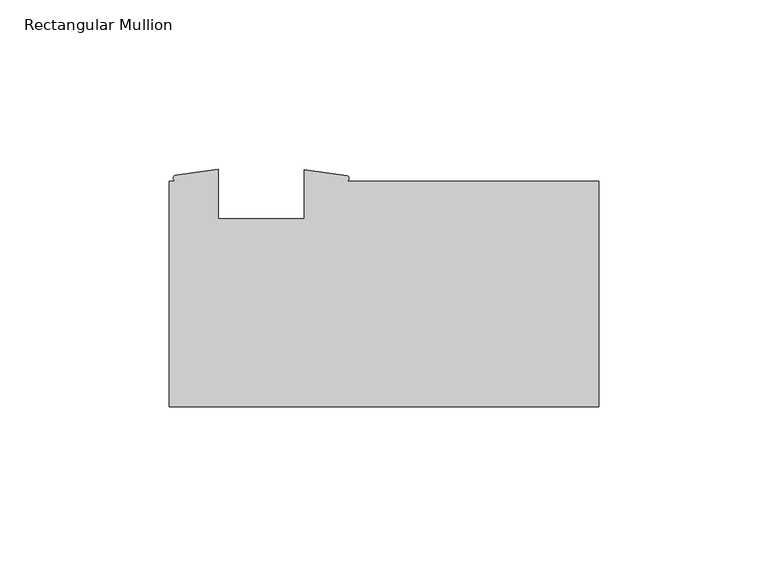
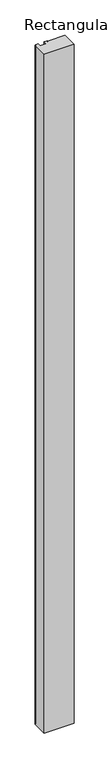
"""IFC4 building model written with IfcOpenShell, lengths in millimetres: member geometry, Rectangular Mullion."""

import ifcopenshell
import ifcopenshell.guid

model = None  # the IFC model being written
_history = None  # IfcOwnerHistory: only IFC2X3 demands one
_inside = {}  # id of a spatial element -> (the spatial element, [elements in it])
_under = {}  # id of a project, library or spatial element -> (it, [spatial elements below it])
_declared = {}  # id of a project -> (the project, [libraries it declares])
_typed = {}  # id of a type object -> (the type object, [elements of that type])
_made_of = {}  # id of a material, layer set ... -> (it, [elements and type objects made of it])


def new_model(schema):
    """Start an empty IFC model of exactly this schema.

    Asked for "IFC4X3", IfcOpenShell would pick the latest addendum, in which some entities
    have other attributes; the version numbers below select the first issue.
    IFC2X3 requires an IfcOwnerHistory on every rooted entity: one is made here for all.
    """
    global model, _history
    if schema == "IFC4X3":
        model = ifcopenshell.file(schema_version=(4, 3, 0, 0))
    else:
        model = ifcopenshell.file(schema=schema)
    _inside.clear()
    _under.clear()
    _declared.clear()
    _typed.clear()
    _made_of.clear()
    _history = None
    if model.schema == "IFC2X3":
        org = make("IfcOrganization", Name="unknown")
        user = make(
            "IfcPersonAndOrganization",
            ThePerson=make("IfcPerson", FamilyName="unknown"),
            TheOrganization=org,
        )
        app = make(
            "IfcApplication",
            ApplicationDeveloper=org,
            Version="unknown",
            ApplicationFullName="unknown",
            ApplicationIdentifier="unknown",
        )
        _history = make(
            "IfcOwnerHistory",
            OwningUser=user,
            OwningApplication=app,
            ChangeAction="ADDED",
            CreationDate=0,
        )
    return model


def make(cls, **values):
    """One entity of the class cls with the attributes given. An attribute that is None is left unset."""
    return model.create_entity(
        cls, **{name: value for name, value in values.items() if value is not None}
    )


def rooted(cls, **values):
    """An entity with a GlobalId (a new one), such as an element, a storey or a relation."""
    return make(cls, GlobalId=ifcopenshell.guid.new(), OwnerHistory=_history, **values)


def si_unit(unit_type, name, prefix=None):
    """IfcSIUnit, for example si_unit("LENGTHUNIT", "METRE", prefix="MILLI")."""
    return make("IfcSIUnit", UnitType=unit_type, Prefix=prefix, Name=name)


def assignment(units):
    """IfcUnitAssignment: the units of a project."""
    return None if units is None else make("IfcUnitAssignment", Units=units)


def point(xyz):
    """IfcCartesianPoint."""
    return None if xyz is None else make("IfcCartesianPoint", Coordinates=xyz)


def direction(xyz):
    """IfcDirection."""
    return None if xyz is None else make("IfcDirection", DirectionRatios=xyz)


def frame(location, z_axis=None, x_axis=None):
    """IfcAxis2Placement3D, a coordinate frame: its origin and axes. An axis left out is left unset."""
    return make(
        "IfcAxis2Placement3D",
        Location=point(location),
        Axis=direction(z_axis),
        RefDirection=direction(x_axis),
    )


def frame_2d(location, x_axis=None):
    """IfcAxis2Placement2D, a coordinate frame in the plane: its origin and x axis."""
    return make(
        "IfcAxis2Placement2D", Location=point(location), RefDirection=direction(x_axis)
    )


def origin():
    """The frame at (0, 0, 0) with its axes left unset."""
    return frame((0.0, 0.0, 0.0))


def place(relative_to, where):
    """IfcLocalPlacement: puts the frame where relative to a parent placement (None: the world)."""
    return make(
        "IfcLocalPlacement", PlacementRelTo=relative_to, RelativePlacement=where
    )


def context(
    kind, dimensions, precision=None, world=None, true_north=None, identifier=None
):
    """IfcGeometricRepresentationContext, for example the 3D "Model" context."""
    return make(
        "IfcGeometricRepresentationContext",
        ContextIdentifier=identifier,
        ContextType=kind,
        CoordinateSpaceDimension=dimensions,
        Precision=precision,
        WorldCoordinateSystem=world,
        TrueNorth=true_north,
    )


def project(units=None, contexts=None):
    """IfcProject with its units and contexts."""
    return rooted(
        "IfcProject",
        Name="project",
        RepresentationContexts=contexts,
        UnitsInContext=assignment(units),
    )


def spatial(cls, under=None, at=None, **own):
    """A site, building, storey or space (cls), placed at a placement, below another one or the project."""
    s = rooted(cls, ObjectPlacement=at, **own)
    if under is not None:
        _under.setdefault(under.id(), (under, []))[1].append(s)
    return s


def polyline(points):
    """IfcPolyline through the points."""
    return make("IfcPolyline", Points=[point(p) for p in points])


def circle_curve(where, radius):
    """IfcCircle in the frame where."""
    return make("IfcCircle", Position=where, Radius=radius)


def trimmed(basis, trim1, trim2, sense, master):
    """IfcTrimmedCurve: the piece of a basis curve between two trims."""
    return make(
        "IfcTrimmedCurve",
        BasisCurve=basis,
        Trim1=trim1,
        Trim2=trim2,
        SenseAgreement=sense,
        MasterRepresentation=master,
    )


def segment(curve, same_sense, transition):
    """IfcCompositeCurveSegment."""
    return make(
        "IfcCompositeCurveSegment",
        Transition=transition,
        SameSense=same_sense,
        ParentCurve=curve,
    )


def composite_curve(segments, self_intersect=None):
    """IfcCompositeCurve: segments joined end to end."""
    return make("IfcCompositeCurve", Segments=segments, SelfIntersect=self_intersect)


def outline(outer, holes=None, kind="AREA"):
    """IfcArbitraryClosedProfileDef: a profile drawn as a closed curve; with holes, ...WithVoids."""
    if holes is None:
        return make("IfcArbitraryClosedProfileDef", ProfileType=kind, OuterCurve=outer)
    return make(
        "IfcArbitraryProfileDefWithVoids",
        ProfileType=kind,
        OuterCurve=outer,
        InnerCurves=holes,
    )


def extrude(swept, where, along, depth):
    """IfcExtrudedAreaSolid: the profile swept, set in the frame where, extruded along a direction by depth."""
    return make(
        "IfcExtrudedAreaSolid",
        SweptArea=swept,
        Position=where,
        ExtrudedDirection=direction(along),
        Depth=depth,
    )


def shape(context_of_items, identifier, shape_type, items):
    """IfcShapeRepresentation: the items that make up one representation, for example the "Body"."""
    return make(
        "IfcShapeRepresentation",
        ContextOfItems=context_of_items,
        RepresentationIdentifier=identifier,
        RepresentationType=shape_type,
        Items=items,
    )


def source(mapping_origin, context_of_items, identifier, shape_type, items):
    """IfcRepresentationMap: a shape defined once, which mapped items show again and again."""
    return make(
        "IfcRepresentationMap",
        MappingOrigin=mapping_origin,
        MappedRepresentation=shape(context_of_items, identifier, shape_type, items),
    )


def transform(
    local_origin,
    x_axis=None,
    y_axis=None,
    z_axis=None,
    scale=None,
    scale2=None,
    scale3=None,
    uniform=True,
):
    """IfcCartesianTransformationOperator3D, or its non-uniform kind. x_axis, y_axis, z_axis: its Axis1, 2, 3."""
    if uniform:
        return make(
            "IfcCartesianTransformationOperator3D",
            Axis1=direction(x_axis),
            Axis2=direction(y_axis),
            LocalOrigin=point(local_origin),
            Scale=scale,
            Axis3=direction(z_axis),
        )
    return make(
        "IfcCartesianTransformationOperator3DnonUniform",
        Axis1=direction(x_axis),
        Axis2=direction(y_axis),
        LocalOrigin=point(local_origin),
        Scale=scale,
        Axis3=direction(z_axis),
        Scale2=scale2,
        Scale3=scale3,
    )


def mapped(mapping_source, mapping_target):
    """IfcMappedItem: shows the shape of a source again, moved by a transform."""
    return make(
        "IfcMappedItem", MappingSource=mapping_source, MappingTarget=mapping_target
    )


def made_of(thing, what):
    """Note that an element or type object is made of a material, layer set ...; save() writes the relation."""
    if what is not None:
        _made_of.setdefault(what.id(), (what, []))[1].append(thing)
    return thing


def element(
    cls,
    number,
    at=None,
    inside=None,
    cuts=None,
    type_object=None,
    material=None,
    context=None,
    identifier="Body",
    shape_type=None,
    held_by="IfcProductDefinitionShape",
    body=None,
    shapes=None,
    **own,
):
    """One element of the class cls, such as IfcWall. Its Tag is "e" and its number.

    at: its placement. inside: the storey or other place that contains it. cuts: it is an
    opening in that element (IfcRelVoidsElement). A single representation is given by context,
    identifier, shape_type and body (its items); several are given by shapes. held_by: the class
    of the entity that holds the representations. save() writes the other relations.
    """
    e = rooted(cls, Tag="e%d" % number, ObjectPlacement=at, **own)
    if body is not None:
        shapes = [shape(context, identifier, shape_type, body)]
    if shapes is not None:
        e.Representation = make(held_by, Representations=shapes)
    if inside is not None:
        _inside.setdefault(inside.id(), (inside, []))[1].append(e)
    if cuts is not None:
        rooted(
            "IfcRelVoidsElement", RelatingBuildingElement=cuts, RelatedOpeningElement=e
        )
    if type_object is not None:
        _typed.setdefault(type_object.id(), (type_object, []))[1].append(e)
    return made_of(e, material)


def aggregate(whole, parts):
    """IfcRelAggregates: a whole, such as a stair, and the parts it consists of."""
    return rooted("IfcRelAggregates", RelatingObject=whole, RelatedObjects=parts)


def save(model, path):
    """Write the relations noted so far, then the file.

    IfcRelAggregates (storeys below a building ...), IfcRelContainedInSpatialStructure (elements
    in a storey), IfcRelDefinesByType, IfcRelAssociatesMaterial and IfcRelDeclares: one each for
    every whole, place, type object, material and project.
    """
    for whole, parts in _under.values():
        aggregate(whole, parts)
    for where, things in _inside.values():
        rooted(
            "IfcRelContainedInSpatialStructure",
            RelatedElements=things,
            RelatingStructure=where,
        )
    for kind, things in _typed.values():
        rooted("IfcRelDefinesByType", RelatedObjects=things, RelatingType=kind)
    for what, things in _made_of.values():
        rooted("IfcRelAssociatesMaterial", RelatedObjects=things, RelatingMaterial=what)
    for by, libraries in _declared.values():
        rooted("IfcRelDeclares", RelatingContext=by, RelatedDefinitions=libraries)
    model.write(path)


def rectangular_mullion_d3517619(model_context):
    return source(origin(), model_context, "Body", "SweptSolid", [
        extrude(outline(composite_curve([segment(polyline([(-127.0, -33.3375), (-127.0, 33.3375), (-125.2695278, 33.3375)]), True, "CONTINUOUS"), segment(trimmed(circle_curve(frame_2d((-124.8625745, 34.1692022)), 0.9259263), [point((-125.2695278, 33.3375))], [point((-125.2695278, 35.0009044))], False, "CARTESIAN"), True, "CONTINUOUS"), segment(polyline([(-125.2695278, 35.0009044), (-112.496475, 36.8570217), (-112.496475, 22.225), (-87.096475, 22.225), (-87.096475, 36.7335), (-74.3251874, 34.9233963)]), True, "CONTINUOUS"), segment(trimmed(circle_curve(frame_2d((-74.7612755, 34.1304481)), 0.9049528), [point((-74.3251874, 34.9233963))], [point((-74.3251874, 33.3375))], False, "CARTESIAN"), True, "CONTINUOUS"), segment(polyline([(-74.3251874, 33.3375), (0.0, 33.3375), (0.0, -33.3375), (-127.0, -33.3375)]), True, "CONTINUOUS")], self_intersect=False)), frame((0.0, 0.0, -3048.0), z_axis=(0.0, 0.0, 1.0), x_axis=(1.0, 0.0, 0.0)), (0.0, 0.0, 1.0), 3048.0),
    ])


if __name__ == "__main__":
    model = new_model("IFC4")
    model_context = context("Model", 3, world=origin())
    ifc_project = project(units=[si_unit("LENGTHUNIT", "METRE", prefix="MILLI")], contexts=[model_context])
    site = spatial("IfcSite", under=ifc_project)
    building = spatial("IfcBuilding", under=site)
    placement = place(None, origin())
    rectangular_mullion_shape = rectangular_mullion_d3517619(model_context)
    element("IfcMember", 1, ObjectType="Rectangular Mullion", at=placement, inside=building, context=model_context, shape_type="MappedRepresentation", body=[
        mapped(rectangular_mullion_shape, transform((0.0, 0.0, 0.0), x_axis=(1.0, 0.0, 0.0), y_axis=(0.0, 1.0, 0.0), z_axis=(0.0, 0.0, 1.0))),
    ])
    save(model, "model.ifc")
